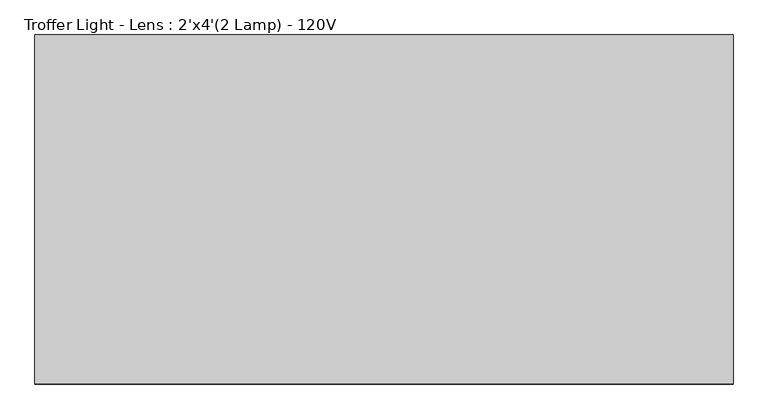
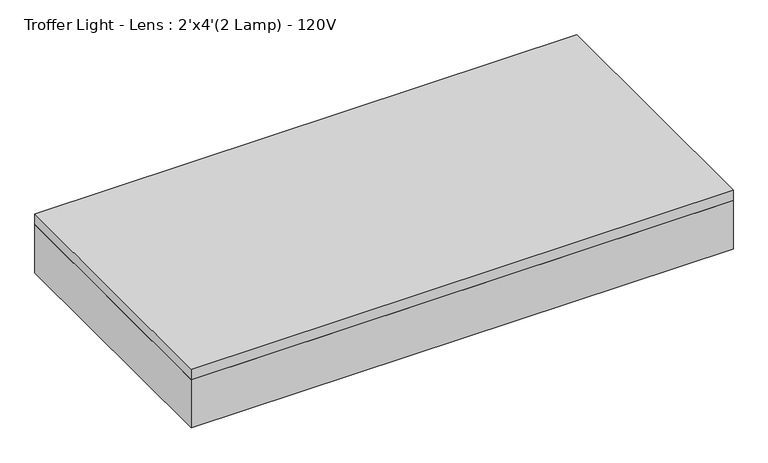
"""IFC4 building model written with IfcOpenShell, lengths in millimetres: light fixture geometry, Troffer Light - Lens : 2'x4'(2 Lamp) - 120V."""

from ifc_helpers import new_model, si_unit, frame, origin, place, context, project, spatial, polyline, outline, extrude, source, transform, mapped, element, save


def troffer_light_lens_2_x4_2_lamp_120v_b3407adc(model_context):
    return source(origin(), model_context, "Body", "SweptSolid", [
        extrude(outline(polyline([(565.4964984, 219.9340679), (565.4964984, -338.8659321), (-602.9035016, -338.8659321), (-602.9035016, 219.9340679), (565.4964984, 219.9340679)])), frame((0.0, 0.0, 2438.4), z_axis=(0.0, 0.0, 1.0), x_axis=(1.0, 0.0, 0.0)), (0.0, 0.0, 1.0), 6.35),
        extrude(outline(polyline([(590.8964984, 245.3340679), (590.8964984, -364.2659321), (-628.3035016, -364.2659321), (-628.3035016, 245.3340679), (590.8964984, 245.3340679)]), holes=[polyline([(565.4964984, 219.9340679), (-602.9035016, 219.9340679), (-602.9035016, -338.8659321), (565.4964984, -338.8659321), (565.4964984, 219.9340679)])]), frame((0.0, 0.0, 2438.4), z_axis=(0.0, 0.0, 1.0), x_axis=(1.0, 0.0, 0.0)), (0.0, 0.0, 1.0), 114.3),
        extrude(outline(polyline([(590.8964984, 245.3340679), (590.8964984, -364.2659321), (-628.3035016, -364.2659321), (-628.3035016, 245.3340679), (590.8964984, 245.3340679)])), frame((0.0, 0.0, 2552.7), z_axis=(0.0, 0.0, 1.0), x_axis=(1.0, 0.0, 0.0)), (0.0, 0.0, 1.0), 25.4),
    ])


if __name__ == "__main__":
    model = new_model("IFC4")
    model_context = context("Model", 3, world=origin())
    ifc_project = project(units=[si_unit("LENGTHUNIT", "METRE", prefix="MILLI")], contexts=[model_context])
    site = spatial("IfcSite", under=ifc_project)
    building = spatial("IfcBuilding", under=site)
    placement = place(None, origin())
    troffer_light_lens_2_x4_2_lamp_120v_shape = troffer_light_lens_2_x4_2_lamp_120v_b3407adc(model_context)
    element("IfcLightFixture", 1, ObjectType="Troffer Light - Lens : 2'x4'(2 Lamp) - 120V", at=placement, inside=building, context=model_context, shape_type="MappedRepresentation", body=[
        mapped(troffer_light_lens_2_x4_2_lamp_120v_shape, transform((0.0, 0.0, 0.0), x_axis=(1.0, 0.0, 0.0), y_axis=(0.0, 1.0, 0.0), z_axis=(0.0, 0.0, 1.0))),
    ])
    save(model, "model.ifc")
